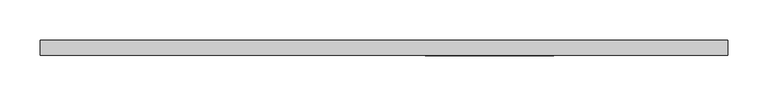
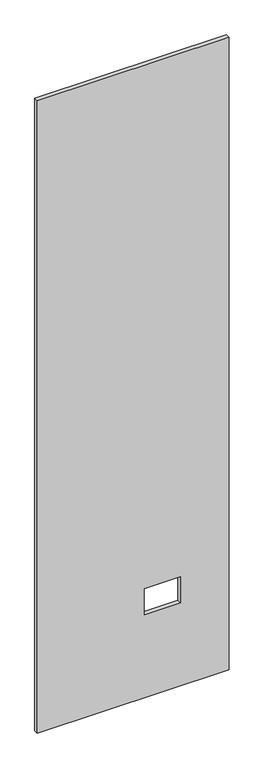
"""IFC4 building model written with IfcOpenShell, lengths in millimetres: proxy geometry."""

from ifc_helpers import new_model, si_unit, frame, origin, place, context, project, spatial, polyline, outline, extrude, source, transform, mapped, element, save


def specialty_equipment_a6306206(model_context):
    return source(origin(), model_context, "Body", "SweptSolid", [
        extrude(outline(polyline([(2999.5368001, 429.9204), (2999.5368001, -429.9204), (3.175, -429.9204), (3.175, 429.9204), (2999.5368001, 429.9204)]), holes=[polyline([(518.9474, 211.8868), (395.4526, 211.8868), (395.4526, 51.3588), (518.9474, 51.3588), (518.9474, 211.8868)])]), frame((0.0, -9.525, 0.0), z_axis=(0.0, 1.0, 0.0), x_axis=(0.0, 0.0, 1.0)), (0.0, 0.0, 1.0), 19.05),
    ])


if __name__ == "__main__":
    model = new_model("IFC4")
    model_context = context("Model", 3, world=origin())
    ifc_project = project(units=[si_unit("LENGTHUNIT", "METRE", prefix="MILLI")], contexts=[model_context])
    site = spatial("IfcSite", under=ifc_project)
    building = spatial("IfcBuilding", under=site)
    placement = place(None, origin())
    specialty_equipment_shape = specialty_equipment_a6306206(model_context)
    element("IfcBuildingElementProxy", 1, Name="Specialty Equipment", at=placement, inside=building, context=model_context, shape_type="MappedRepresentation", body=[
        mapped(specialty_equipment_shape, transform((0.0, 0.0, 0.0), x_axis=(1.0, 0.0, 0.0), y_axis=(0.0, 1.0, 0.0), z_axis=(0.0, 0.0, 1.0))),
    ])
    save(model, "model.ifc")
